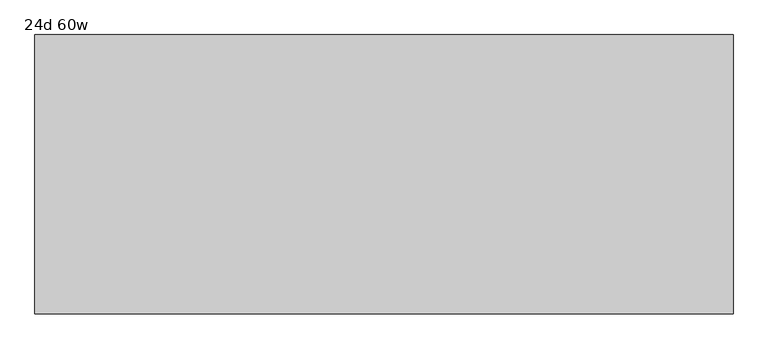
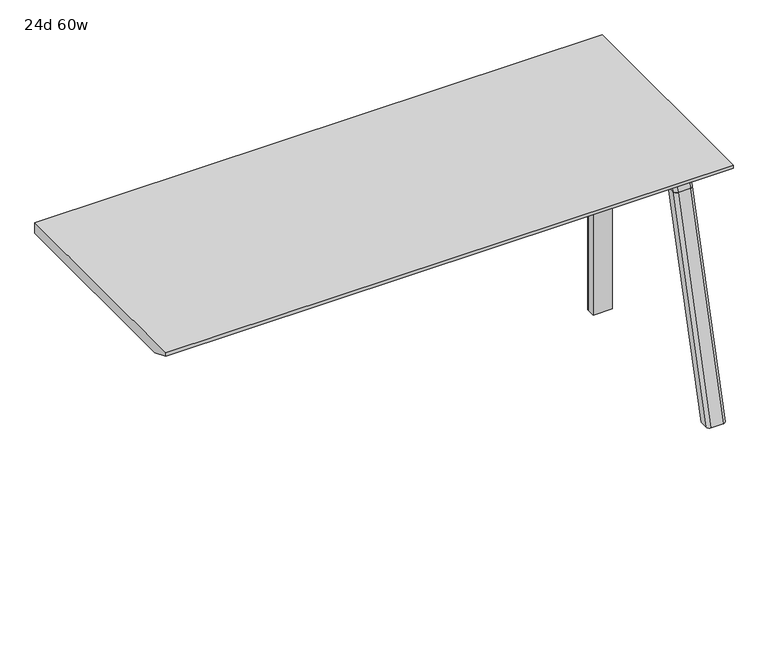
"""IFC4 building model written with IfcOpenShell, lengths in millimetres: furniture geometry, 24d 60w."""

import ifcopenshell
import ifcopenshell.guid

model = None  # the IFC model being written
_history = None  # IfcOwnerHistory: only IFC2X3 demands one
_inside = {}  # id of a spatial element -> (the spatial element, [elements in it])
_under = {}  # id of a project, library or spatial element -> (it, [spatial elements below it])
_declared = {}  # id of a project -> (the project, [libraries it declares])
_typed = {}  # id of a type object -> (the type object, [elements of that type])
_made_of = {}  # id of a material, layer set ... -> (it, [elements and type objects made of it])


def new_model(schema):
    """Start an empty IFC model of exactly this schema.

    Asked for "IFC4X3", IfcOpenShell would pick the latest addendum, in which some entities
    have other attributes; the version numbers below select the first issue.
    IFC2X3 requires an IfcOwnerHistory on every rooted entity: one is made here for all.
    """
    global model, _history
    if schema == "IFC4X3":
        model = ifcopenshell.file(schema_version=(4, 3, 0, 0))
    else:
        model = ifcopenshell.file(schema=schema)
    _inside.clear()
    _under.clear()
    _declared.clear()
    _typed.clear()
    _made_of.clear()
    _history = None
    if model.schema == "IFC2X3":
        org = make("IfcOrganization", Name="unknown")
        user = make(
            "IfcPersonAndOrganization",
            ThePerson=make("IfcPerson", FamilyName="unknown"),
            TheOrganization=org,
        )
        app = make(
            "IfcApplication",
            ApplicationDeveloper=org,
            Version="unknown",
            ApplicationFullName="unknown",
            ApplicationIdentifier="unknown",
        )
        _history = make(
            "IfcOwnerHistory",
            OwningUser=user,
            OwningApplication=app,
            ChangeAction="ADDED",
            CreationDate=0,
        )
    return model


def make(cls, **values):
    """One entity of the class cls with the attributes given. An attribute that is None is left unset."""
    return model.create_entity(
        cls, **{name: value for name, value in values.items() if value is not None}
    )


def rooted(cls, **values):
    """An entity with a GlobalId (a new one), such as an element, a storey or a relation."""
    return make(cls, GlobalId=ifcopenshell.guid.new(), OwnerHistory=_history, **values)


def si_unit(unit_type, name, prefix=None):
    """IfcSIUnit, for example si_unit("LENGTHUNIT", "METRE", prefix="MILLI")."""
    return make("IfcSIUnit", UnitType=unit_type, Prefix=prefix, Name=name)


def assignment(units):
    """IfcUnitAssignment: the units of a project."""
    return None if units is None else make("IfcUnitAssignment", Units=units)


def point(xyz):
    """IfcCartesianPoint."""
    return None if xyz is None else make("IfcCartesianPoint", Coordinates=xyz)


def direction(xyz):
    """IfcDirection."""
    return None if xyz is None else make("IfcDirection", DirectionRatios=xyz)


def frame(location, z_axis=None, x_axis=None):
    """IfcAxis2Placement3D, a coordinate frame: its origin and axes. An axis left out is left unset."""
    return make(
        "IfcAxis2Placement3D",
        Location=point(location),
        Axis=direction(z_axis),
        RefDirection=direction(x_axis),
    )


def frame_2d(location, x_axis=None):
    """IfcAxis2Placement2D, a coordinate frame in the plane: its origin and x axis."""
    return make(
        "IfcAxis2Placement2D", Location=point(location), RefDirection=direction(x_axis)
    )


def origin():
    """The frame at (0, 0, 0) with its axes left unset."""
    return frame((0.0, 0.0, 0.0))


def place(relative_to, where):
    """IfcLocalPlacement: puts the frame where relative to a parent placement (None: the world)."""
    return make(
        "IfcLocalPlacement", PlacementRelTo=relative_to, RelativePlacement=where
    )


def context(
    kind, dimensions, precision=None, world=None, true_north=None, identifier=None
):
    """IfcGeometricRepresentationContext, for example the 3D "Model" context."""
    return make(
        "IfcGeometricRepresentationContext",
        ContextIdentifier=identifier,
        ContextType=kind,
        CoordinateSpaceDimension=dimensions,
        Precision=precision,
        WorldCoordinateSystem=world,
        TrueNorth=true_north,
    )


def project(units=None, contexts=None):
    """IfcProject with its units and contexts."""
    return rooted(
        "IfcProject",
        Name="project",
        RepresentationContexts=contexts,
        UnitsInContext=assignment(units),
    )


def spatial(cls, under=None, at=None, **own):
    """A site, building, storey or space (cls), placed at a placement, below another one or the project."""
    s = rooted(cls, ObjectPlacement=at, **own)
    if under is not None:
        _under.setdefault(under.id(), (under, []))[1].append(s)
    return s


def polyline(points):
    """IfcPolyline through the points."""
    return make("IfcPolyline", Points=[point(p) for p in points])


def circle_curve(where, radius):
    """IfcCircle in the frame where."""
    return make("IfcCircle", Position=where, Radius=radius)


def ellipse_curve(where, semi_axis1, semi_axis2):
    """IfcEllipse in the frame where."""
    return make(
        "IfcEllipse", Position=where, SemiAxis1=semi_axis1, SemiAxis2=semi_axis2
    )


def trimmed(basis, trim1, trim2, sense, master):
    """IfcTrimmedCurve: the piece of a basis curve between two trims."""
    return make(
        "IfcTrimmedCurve",
        BasisCurve=basis,
        Trim1=trim1,
        Trim2=trim2,
        SenseAgreement=sense,
        MasterRepresentation=master,
    )


def segment(curve, same_sense, transition):
    """IfcCompositeCurveSegment."""
    return make(
        "IfcCompositeCurveSegment",
        Transition=transition,
        SameSense=same_sense,
        ParentCurve=curve,
    )


def composite_curve(segments, self_intersect=None):
    """IfcCompositeCurve: segments joined end to end."""
    return make("IfcCompositeCurve", Segments=segments, SelfIntersect=self_intersect)


def outline(outer, holes=None, kind="AREA"):
    """IfcArbitraryClosedProfileDef: a profile drawn as a closed curve; with holes, ...WithVoids."""
    if holes is None:
        return make("IfcArbitraryClosedProfileDef", ProfileType=kind, OuterCurve=outer)
    return make(
        "IfcArbitraryProfileDefWithVoids",
        ProfileType=kind,
        OuterCurve=outer,
        InnerCurves=holes,
    )


def extrude(swept, where, along, depth):
    """IfcExtrudedAreaSolid: the profile swept, set in the frame where, extruded along a direction by depth."""
    return make(
        "IfcExtrudedAreaSolid",
        SweptArea=swept,
        Position=where,
        ExtrudedDirection=direction(along),
        Depth=depth,
    )


def shape(context_of_items, identifier, shape_type, items):
    """IfcShapeRepresentation: the items that make up one representation, for example the "Body"."""
    return make(
        "IfcShapeRepresentation",
        ContextOfItems=context_of_items,
        RepresentationIdentifier=identifier,
        RepresentationType=shape_type,
        Items=items,
    )


def source(mapping_origin, context_of_items, identifier, shape_type, items):
    """IfcRepresentationMap: a shape defined once, which mapped items show again and again."""
    return make(
        "IfcRepresentationMap",
        MappingOrigin=mapping_origin,
        MappedRepresentation=shape(context_of_items, identifier, shape_type, items),
    )


def transform(
    local_origin,
    x_axis=None,
    y_axis=None,
    z_axis=None,
    scale=None,
    scale2=None,
    scale3=None,
    uniform=True,
):
    """IfcCartesianTransformationOperator3D, or its non-uniform kind. x_axis, y_axis, z_axis: its Axis1, 2, 3."""
    if uniform:
        return make(
            "IfcCartesianTransformationOperator3D",
            Axis1=direction(x_axis),
            Axis2=direction(y_axis),
            LocalOrigin=point(local_origin),
            Scale=scale,
            Axis3=direction(z_axis),
        )
    return make(
        "IfcCartesianTransformationOperator3DnonUniform",
        Axis1=direction(x_axis),
        Axis2=direction(y_axis),
        LocalOrigin=point(local_origin),
        Scale=scale,
        Axis3=direction(z_axis),
        Scale2=scale2,
        Scale3=scale3,
    )


def mapped(mapping_source, mapping_target):
    """IfcMappedItem: shows the shape of a source again, moved by a transform."""
    return make(
        "IfcMappedItem", MappingSource=mapping_source, MappingTarget=mapping_target
    )


def made_of(thing, what):
    """Note that an element or type object is made of a material, layer set ...; save() writes the relation."""
    if what is not None:
        _made_of.setdefault(what.id(), (what, []))[1].append(thing)
    return thing


def element(
    cls,
    number,
    at=None,
    inside=None,
    cuts=None,
    type_object=None,
    material=None,
    context=None,
    identifier="Body",
    shape_type=None,
    held_by="IfcProductDefinitionShape",
    body=None,
    shapes=None,
    **own,
):
    """One element of the class cls, such as IfcWall. Its Tag is "e" and its number.

    at: its placement. inside: the storey or other place that contains it. cuts: it is an
    opening in that element (IfcRelVoidsElement). A single representation is given by context,
    identifier, shape_type and body (its items); several are given by shapes. held_by: the class
    of the entity that holds the representations. save() writes the other relations.
    """
    e = rooted(cls, Tag="e%d" % number, ObjectPlacement=at, **own)
    if body is not None:
        shapes = [shape(context, identifier, shape_type, body)]
    if shapes is not None:
        e.Representation = make(held_by, Representations=shapes)
    if inside is not None:
        _inside.setdefault(inside.id(), (inside, []))[1].append(e)
    if cuts is not None:
        rooted(
            "IfcRelVoidsElement", RelatingBuildingElement=cuts, RelatedOpeningElement=e
        )
    if type_object is not None:
        _typed.setdefault(type_object.id(), (type_object, []))[1].append(e)
    return made_of(e, material)


def aggregate(whole, parts):
    """IfcRelAggregates: a whole, such as a stair, and the parts it consists of."""
    return rooted("IfcRelAggregates", RelatingObject=whole, RelatedObjects=parts)


def save(model, path):
    """Write the relations noted so far, then the file.

    IfcRelAggregates (storeys below a building ...), IfcRelContainedInSpatialStructure (elements
    in a storey), IfcRelDefinesByType, IfcRelAssociatesMaterial and IfcRelDeclares: one each for
    every whole, place, type object, material and project.
    """
    for whole, parts in _under.values():
        aggregate(whole, parts)
    for where, things in _inside.values():
        rooted(
            "IfcRelContainedInSpatialStructure",
            RelatedElements=things,
            RelatingStructure=where,
        )
    for kind, things in _typed.values():
        rooted("IfcRelDefinesByType", RelatedObjects=things, RelatingType=kind)
    for what, things in _made_of.values():
        rooted("IfcRelAssociatesMaterial", RelatedObjects=things, RelatingMaterial=what)
    for by, libraries in _declared.values():
        rooted("IfcRelDeclares", RelatingContext=by, RelatedDefinitions=libraries)
    model.write(path)


def plane_surface(at):
    """IfcPlane: the flat surface through the origin of the frame at, square to its z axis."""
    return make("IfcPlane", Position=at)


def cylinder_surface(at, radius):
    """IfcCylindricalSurface: all points at the distance radius from the z axis of the frame at."""
    return make("IfcCylindricalSurface", Position=at, Radius=radius)


def revolved_surface(curve, axis_point, axis_direction):
    """IfcSurfaceOfRevolution: the curve turned about the line through axis_point along axis_direction."""
    return make(
        "IfcSurfaceOfRevolution",
        SweptCurve=make("IfcArbitraryOpenProfileDef", ProfileType="CURVE", Curve=curve),
        AxisPosition=make("IfcAxis1Placement", Location=point(axis_point), Axis=direction(axis_direction)),
    )


def advanced_brep(points, edges, surfaces, faces):
    """IfcAdvancedBrep: a solid bounded by faces that lie on surfaces and meet in shared edges.

    An edge is (start, end): straight between two places in points (the first is 0);
    or (start, end, curve); or (start, end, curve, False) where it runs against its curve.
    A face is (place in surfaces, loops), or (place, loops, False) where it looks against
    its surface's normal. A loop lists edges by number (the first is 1), with a minus sign
    where the edge is run from its end to its start. The first loop is the outer one.
    """
    corners = [point(p) for p in points]
    vertices = [make("IfcVertexPoint", VertexGeometry=c) for c in corners]
    made = []
    for start, end, *more in edges:
        made.append(
            make(
                "IfcEdgeCurve",
                EdgeStart=vertices[start],
                EdgeEnd=vertices[end],
                EdgeGeometry=more[0] if more else make("IfcPolyline", Points=[corners[start], corners[end]]),
                SameSense=more[1] if len(more) > 1 else True,
            )
        )
    hull = []
    for where, loops, *sense in faces:
        bounds = []
        for j, loop in enumerate(loops):
            ring = [make("IfcOrientedEdge", EdgeElement=made[abs(k) - 1], Orientation=k > 0) for k in loop]
            bounds.append(
                make(
                    "IfcFaceOuterBound" if j == 0 else "IfcFaceBound",
                    Bound=make("IfcEdgeLoop", EdgeList=ring),
                    Orientation=True,
                )
            )
        hull.append(make("IfcAdvancedFace", Bounds=bounds, FaceSurface=surfaces[where], SameSense=sense[0] if sense else True))
    return make("IfcAdvancedBrep", Outer=make("IfcClosedShell", CfsFaces=hull))


def furniture_24d_60w_ed17716b(model_context):
    return source(origin(), model_context, "Body", "SolidModel", [
        extrude(outline(composite_curve([segment(polyline([(-258.4909766, 711.2), (-267.5490774, 677.3947076)]), True, "CONTINUOUS"), segment(trimmed(circle_curve(frame_2d((-282.8831499, 681.5034599)), 15.875), [point((-267.5490774, 677.3947076))], [point((-282.8831499, 665.6284599))], False, "CARTESIAN"), True, "CONTINUOUS"), segment(polyline([(-282.8831499, 665.6284599), (-553.1863033, 665.6284599)]), True, "CONTINUOUS"), segment(trimmed(circle_curve(frame_2d((-553.1863033, 681.5034599)), 15.875), [point((-553.1863033, 665.6284599))], [point((-568.5203758, 677.3947076))], False, "CARTESIAN"), True, "CONTINUOUS"), segment(polyline([(-568.5203758, 677.3947076), (-577.5784766, 711.2), (-258.4909766, 711.2)]), True, "CONTINUOUS")], self_intersect=False)), frame((927.1, 0.0, 0.0), z_axis=(1.0, 0.0, 0.0), x_axis=(0.0, 1.0, 0.0)), (0.0, 0.0, 1.0), 38.1),
        extrude(outline(polyline([(971.55, -318.8159766), (971.55, -517.2534766), (920.75, -517.2534766), (920.75, -318.8159766), (971.55, -318.8159766)])), frame((0.0, 0.0, 635.6476591), z_axis=(0.0, 0.0, 1.0), x_axis=(1.0, 0.0, 0.0)), (0.0, 0.0, 1.0), 29.9808008),
        advanced_brep(
        [(971.55, -258.4446478, 711.2), (971.55, -267.5027486, 677.3947076), (971.55, -282.8368211, 665.6284599), (971.55, -318.8159766, 665.6284599), (971.55, -318.8159766, 635.6476591), (971.55, -307.7034766, 635.6476591), (971.55, -256.9034766, 584.8476591), (971.55, -256.9034766, 576.659375), (971.55, -234.6784766, 576.659375), (971.55, -234.6784766, 711.2), (920.75, -256.9034766, 576.659375), (920.75, -256.9034766, 584.8476591), (920.75, -307.7034766, 635.6476591), (920.75, -318.8159766, 635.6476591), (920.75, -318.8159766, 665.6284599), (920.75, -282.8368211, 665.6284599), (920.75, -267.5027486, 677.3947076), (920.75, -258.4446478, 711.2), (920.75, -234.6784766, 711.2), (920.75, -234.6784766, 576.659375), (962.025, -225.1534766, 711.2), (930.275, -225.1534766, 711.2), (930.275, -225.1534766, 576.659375), (962.025, -225.1534766, 576.659375)],
        [
            (0, 1),
            (1, 2, circle_curve(frame((971.55, -282.8368211, 681.5034599), z_axis=(-1.0, 0.0, 0.0), x_axis=(0.0, 1.0, 0.0)), 15.875)),
            (2, 3),
            (3, 4),
            (4, 5),
            (5, 6, circle_curve(frame((971.55, -307.7034766, 584.8476591), z_axis=(-1.0, 0.0, 0.0), x_axis=(0.0, 1.0, 0.0)), 50.8)),
            (6, 7),
            (7, 8),
            (8, 9),
            (9, 0),
            (10, 11),
            (11, 12, circle_curve(frame((920.75, -307.7034766, 584.8476591), z_axis=(1.0, 0.0, 0.0), x_axis=(0.0, 1.0, 0.0)), 50.8)),
            (12, 13),
            (13, 14),
            (14, 15),
            (15, 16, circle_curve(frame((920.75, -282.8368211, 681.5034599), z_axis=(1.0, 0.0, 0.0), x_axis=(0.0, 1.0, 0.0)), 15.875)),
            (16, 17),
            (17, 18),
            (18, 19),
            (19, 10),
            (17, 0),
            (9, 20, circle_curve(frame((962.025, -234.6784766, 711.2), z_axis=(0.0, 0.0, 1.0), x_axis=(-1.0, 0.0, 0.0)), 9.525)),
            (20, 21),
            (21, 18, circle_curve(frame((930.275, -234.6784766, 711.2), z_axis=(0.0, 0.0, 1.0), x_axis=(-1.0, 0.0, 0.0)), 9.525)),
            (16, 1),
            (15, 2),
            (14, 3),
            (13, 4),
            (12, 5),
            (7, 10),
            (19, 22, circle_curve(frame((930.275, -234.6784766, 576.659375), z_axis=(0.0, 0.0, -1.0), x_axis=(-1.0, 0.0, 0.0)), 9.525)),
            (22, 23),
            (23, 8, circle_curve(frame((962.025, -234.6784766, 576.659375), z_axis=(0.0, 0.0, -1.0), x_axis=(-1.0, 0.0, 0.0)), 9.525)),
            (11, 6),
            (23, 20),
            (21, 22),
        ],
        [
            plane_surface(frame((971.55, -218.226947, 711.2), z_axis=(1.0, 0.0, 0.0), x_axis=(0.0, -1.0, 0.0))),
            plane_surface(frame((920.75, -218.226947, 711.2), z_axis=(-1.0, 0.0, 0.0), x_axis=(0.0, 1.0, 0.0))),
            plane_surface(frame((971.55, -218.226947, 711.2), z_axis=(0.0, 0.0, 1.0), x_axis=(-1.0, 0.0, 0.0))),
            plane_surface(frame((971.55, -258.4446478, 711.2), z_axis=(0.0, -0.9659258262890683, 0.2588190451025207), x_axis=(-1.0, 0.0, 0.0))),
            revolved_surface(polyline([(920.75, -266.9618211, 681.5034599), (971.55, -266.9618211, 681.5034599)]), (920.75, -282.8368211, 681.5034599), (-1.0, 0.0, 0.0)),
            plane_surface(frame((971.55, -282.8368211, 665.6284599), z_axis=(0.0, 0.0, 1.0), x_axis=(-1.0, 0.0, 0.0))),
            plane_surface(frame((971.55, -318.8159766, 665.6284599), z_axis=(0.0, -1.0, 0.0), x_axis=(-1.0, 0.0, 0.0))),
            plane_surface(frame((971.55, -318.8159766, 635.6476591), z_axis=(0.0, 0.0, -1.0), x_axis=(-1.0, 0.0, 0.0))),
            plane_surface(frame((971.55, -256.9034766, 576.659375), z_axis=(0.0, 0.0, -1.0), x_axis=(-1.0, 0.0, 0.0))),
            revolved_surface(polyline([(920.75, -256.9034766, 584.8476591), (971.55, -256.9034766, 584.8476591)]), (920.75, -307.7034766, 584.8476591), (-1.0, 0.0, 0.0)),
            plane_surface(frame((971.55, -256.9034766, 584.8476591), z_axis=(0.0, -1.0, 0.0), x_axis=(-1.0, 0.0, 0.0))),
            cylinder_surface(frame((962.025, -234.6784766, 524.9807374), z_axis=(0.0, 0.0, -1.0), x_axis=(-1.0, 0.0, 0.0)), 9.525),
            cylinder_surface(frame((930.275, -234.6784766, 524.9807374), z_axis=(0.0, 0.0, -1.0), x_axis=(-1.0, 0.0, 0.0)), 9.525),
            plane_surface(frame((930.275, -225.1534766, 711.2), z_axis=(0.0, 1.0, 0.0), x_axis=(0.0, 0.0, -1.0))),
        ],
        [
            (0, [[1, 2, 3, 4, 5, 6, 7, 8, 9, 10]]),
            (1, [[11, 12, 13, 14, 15, 16, 17, 18, 19, 20]]),
            (2, [[21, -10, 22, 23, 24, -18]]),
            (3, [[-1, -21, -17, 25]]),
            (4, [[-2, -25, -16, 26]]),
            (5, [[-3, -26, -15, 27]]),
            (6, [[-4, -27, -14, 28]]),
            (7, [[-5, -28, -13, 29]]),
            (8, [[30, -20, 31, 32, 33, -8]]),
            (9, [[-6, -29, -12, 34]]),
            (10, [[-7, -34, -11, -30]]),
            (11, [[35, -22, -9, -33]]),
            (12, [[36, -31, -19, -24]]),
            (13, [[-35, -32, -36, -23]]),
        ],
    ),
        advanced_brep(
        [(920.75, -256.9034766, 576.659375), (971.55, -256.9034766, 576.659375), (971.55, -234.6784766, 576.659375), (962.025, -225.1534766, 576.659375), (930.275, -225.1534766, 576.659375), (920.75, -234.6784766, 576.659375), (920.75, -256.9034766, 0.0), (920.75, -234.6784766, 0.0), (930.275, -225.1534766, 0.0), (962.025, -225.1534766, 0.0), (971.55, -234.6784766, 0.0), (971.55, -256.9034766, 0.0), (971.55, -234.6784766, 524.9807374), (962.025, -225.1534766, 524.9807374), (930.275, -225.1534766, 524.9807374), (920.75, -234.6784766, 524.9807374)],
        [
            (0, 1),
            (1, 2),
            (2, 3, circle_curve(frame((962.025, -234.6784766, 576.659375), z_axis=(0.0, 0.0, 1.0), x_axis=(-1.0, 0.0, 0.0)), 9.525)),
            (3, 4),
            (4, 5, circle_curve(frame((930.275, -234.6784766, 576.659375), z_axis=(0.0, 0.0, 1.0), x_axis=(-1.0, 0.0, 0.0)), 9.525)),
            (5, 0),
            (6, 7),
            (7, 8, circle_curve(frame((930.275, -234.6784766, 0.0), z_axis=(0.0, 0.0, -1.0), x_axis=(-1.0, 0.0, 0.0)), 9.525)),
            (8, 9),
            (9, 10, circle_curve(frame((962.025, -234.6784766, 0.0), z_axis=(0.0, 0.0, -1.0), x_axis=(-1.0, 0.0, 0.0)), 9.525)),
            (10, 11),
            (11, 6),
            (0, 6),
            (11, 1),
            (10, 12),
            (12, 2),
            (9, 13),
            (13, 3),
            (8, 14),
            (14, 4),
            (7, 15),
            (15, 5),
        ],
        [
            plane_surface(frame((978.7462903, -256.9034766, 576.659375), z_axis=(0.0, 0.0, 1.0), x_axis=(1.0, 0.0, 0.0))),
            plane_surface(frame((978.7462903, -256.9034766, 0.0), z_axis=(0.0, 0.0, -1.0), x_axis=(-1.0, 0.0, 0.0))),
            plane_surface(frame((920.75, -256.9034766, 576.659375), z_axis=(0.0, -1.0, 0.0), x_axis=(0.0, 0.0, -1.0))),
            plane_surface(frame((971.55, -256.9034766, 576.659375), z_axis=(1.0, 0.0, 0.0), x_axis=(0.0, 0.0, -1.0))),
            cylinder_surface(frame((962.025, -234.6784766, 0.0), z_axis=(0.0, 0.0, 1.0), x_axis=(-1.0, 0.0, 0.0)), 9.525),
            plane_surface(frame((962.025, -225.1534766, 576.659375), z_axis=(0.0, 1.0, 0.0), x_axis=(0.0, 0.0, -1.0))),
            cylinder_surface(frame((930.275, -234.6784766, 0.0), z_axis=(0.0, 0.0, 1.0), x_axis=(-1.0, 0.0, 0.0)), 9.525),
            plane_surface(frame((920.75, -234.6784766, 576.659375), z_axis=(-1.0, 0.0, 0.0), x_axis=(0.0, 0.0, -1.0))),
        ],
        [
            (0, [[1, 2, 3, 4, 5, 6]]),
            (1, [[7, 8, 9, 10, 11, 12]]),
            (2, [[-1, 13, -12, 14]]),
            (3, [[-2, -14, -11, 15, 16]]),
            (4, [[-3, -16, -15, -10, 17, 18]]),
            (5, [[-4, -18, -17, -9, 19, 20]]),
            (6, [[-5, -20, -19, -8, 21, 22]]),
            (7, [[-6, -22, -21, -7, -13]]),
        ],
    ),
        advanced_brep(
        [(920.75, -571.2748053, 711.2), (920.75, -562.2167045, 677.3947076), (920.75, -546.882632, 665.6284599), (920.75, -517.2534766, 665.6284599), (920.75, -517.2534766, 635.6476591), (920.75, -540.1247088, 635.6476591), (920.75, -604.5278133, 586.2294189), (920.75, -607.0860254, 576.6820411), (920.75, -628.1899953, 576.6820411), (920.75, -592.7413517, 711.2), (971.55, -607.0860254, 576.6820411), (971.55, -604.5278133, 586.2294189), (971.55, -540.1247088, 635.6476591), (971.55, -517.2534766, 635.6476591), (971.55, -517.2534766, 665.6284599), (971.55, -546.882632, 665.6284599), (971.55, -562.2167045, 677.3947076), (971.55, -571.2748053, 711.2), (971.55, -592.7413517, 711.2), (971.55, -628.1899953, 576.6820411), (927.0138162, -601.9961962, 711.2), (965.2861838, -601.9961962, 711.2), (962.025, -638.0401747, 576.6820411), (930.275, -638.0401747, 576.6820411)],
        [
            (0, 1),
            (1, 2, circle_curve(frame((920.75, -546.882632, 681.5034599), z_axis=(1.0, 0.0, 0.0), x_axis=(0.0, -1.0, 0.0)), 15.875)),
            (2, 3),
            (3, 4),
            (4, 5),
            (5, 6, circle_curve(frame((920.75, -540.1247088, 568.9726591), z_axis=(1.0, 0.0, 0.0), x_axis=(0.0, -1.0, 0.0)), 66.675)),
            (6, 7),
            (7, 8),
            (8, 9),
            (9, 0),
            (10, 11),
            (11, 12, circle_curve(frame((971.55, -540.1247088, 568.9726591), z_axis=(-1.0, 0.0, 0.0), x_axis=(0.0, -1.0, 0.0)), 66.675)),
            (12, 13),
            (13, 14),
            (14, 15),
            (15, 16, circle_curve(frame((971.55, -546.882632, 681.5034599), z_axis=(-1.0, 0.0, 0.0), x_axis=(0.0, -1.0, 0.0)), 15.875)),
            (16, 17),
            (17, 18),
            (18, 19),
            (19, 10),
            (17, 0),
            (9, 20, ellipse_curve(frame((930.275, -592.7413517, 711.2), z_axis=(0.0, 0.0, 1.0), x_axis=(0.0, -1.0, 0.0)), 9.8501793, 9.525)),
            (20, 21),
            (21, 18, ellipse_curve(frame((962.025, -592.7413517, 711.2), z_axis=(0.0, 0.0, 1.0), x_axis=(0.0, -1.0, 0.0)), 9.8501793, 9.525)),
            (16, 1),
            (15, 2),
            (14, 3),
            (13, 4),
            (12, 5),
            (11, 6),
            (10, 7),
            (19, 22, ellipse_curve(frame((962.025, -628.1899953, 576.6820411), z_axis=(0.0, 0.0, -1.0), x_axis=(0.0, -1.0, 0.0)), 9.8501793, 9.525)),
            (22, 23),
            (23, 8, ellipse_curve(frame((930.275, -628.1899953, 576.6820411), z_axis=(0.0, 0.0, -1.0), x_axis=(0.0, -1.0, 0.0)), 9.8501793, 9.525)),
            (20, 23, ellipse_curve(frame((930.275, -41.6704606, 2802.3641142), z_axis=(0.0, -0.9659258262890684, 0.2588190451025206), x_axis=(0.0, -0.2588190451025206, -0.9659258262890684)), 2304.1956354, 9.525)),
            (22, 21, ellipse_curve(frame((962.025, -41.6704606, 2802.3641142), z_axis=(0.0, -0.9659258262890684, 0.2588190451025206), x_axis=(0.0, -0.2588190451025206, -0.9659258262890684)), 2304.1956354, 9.525)),
        ],
        [
            plane_surface(frame((920.75, -601.9961962, 711.2), z_axis=(-1.0, 0.0, 0.0), x_axis=(0.0, 1.0, 0.0))),
            plane_surface(frame((971.55, -601.9961962, 711.2), z_axis=(1.0, 0.0, 0.0), x_axis=(0.0, -1.0, 0.0))),
            plane_surface(frame((920.75, -601.9961962, 711.2), z_axis=(0.0, 0.0, 1.0), x_axis=(1.0, 0.0, 0.0))),
            plane_surface(frame((920.75, -571.2748053, 711.2), z_axis=(0.0, 0.9659258262890683, 0.2588190451025207), x_axis=(1.0, 0.0, 0.0))),
            revolved_surface(polyline([(971.55, -562.757632, 681.5034599), (920.75, -562.757632, 681.5034599)]), (971.55, -546.882632, 681.5034599), (1.0, 0.0, 0.0)),
            plane_surface(frame((920.75, -546.882632, 665.6284599), z_axis=(0.0, 0.0, 1.0), x_axis=(1.0, 0.0, 0.0))),
            plane_surface(frame((920.75, -517.2534766, 665.6284599), z_axis=(0.0, 1.0, 0.0), x_axis=(1.0, 0.0, 0.0))),
            plane_surface(frame((920.75, -517.2534766, 635.6476591), z_axis=(0.0, 0.0, -1.0), x_axis=(1.0, 0.0, 0.0))),
            revolved_surface(polyline([(971.55, -606.7997088, 568.9726591), (920.75, -606.7997088, 568.9726591)]), (971.55, -540.1247088, 568.9726591), (1.0, 0.0, 0.0)),
            plane_surface(frame((920.75, -604.5278133, 586.2294189), z_axis=(0.0, 0.9659258262890693, -0.25881904510251696), x_axis=(1.0, 0.0, 0.0))),
            plane_surface(frame((920.75, -607.0860254, 576.6820411), z_axis=(0.0, 0.0, -1.0), x_axis=(1.0, 0.0, 0.0))),
            plane_surface(frame((920.75, -638.0401747, 576.6820411), z_axis=(0.0, -0.9659258262890684, 0.2588190451025206), x_axis=(1.0, 0.0, 0.0))),
            cylinder_surface(frame((930.275, -780.7988902, -2.4271979), z_axis=(0.0, -0.25482392474081483, -0.966987470125486), x_axis=(1.0, 0.0, 0.0)), 9.525),
            cylinder_surface(frame((962.025, -780.7988902, -2.4271979), z_axis=(0.0, -0.25482392474081483, -0.966987470125486), x_axis=(1.0, 0.0, 0.0)), 9.525),
        ],
        [
            (0, [[1, 2, 3, 4, 5, 6, 7, 8, 9, 10]]),
            (1, [[11, 12, 13, 14, 15, 16, 17, 18, 19, 20]]),
            (2, [[21, -10, 22, 23, 24, -18]]),
            (3, [[-1, -21, -17, 25]]),
            (4, [[-2, -25, -16, 26]]),
            (5, [[-3, -26, -15, 27]]),
            (6, [[-4, -27, -14, 28]]),
            (7, [[-5, -28, -13, 29]]),
            (8, [[-6, -29, -12, 30]]),
            (9, [[-7, -30, -11, 31]]),
            (10, [[-31, -20, 32, 33, 34, -8]]),
            (11, [[-23, 35, -33, 36]]),
            (12, [[-9, -34, -35, -22]]),
            (13, [[-19, -24, -36, -32]]),
        ],
    ),
        advanced_brep(
        [(920.75, -607.0860254, 576.6820411), (920.75, -759.0552966, 0.0), (920.75, -780.1592665, 0.0), (920.75, -628.1899953, 576.6820411), (971.55, -759.0552966, 0.0), (971.55, -607.0860254, 576.6820411), (971.55, -628.1899953, 576.6820411), (971.55, -780.1592665, 0.0), (930.275, -638.0401747, 576.6820411), (962.025, -638.0401747, 576.6820411), (962.025, -790.0094458, 0.0), (930.275, -790.0094458, 0.0)],
        [
            (0, 1),
            (1, 2),
            (2, 3),
            (3, 0),
            (4, 5),
            (5, 6),
            (6, 7),
            (7, 4),
            (5, 0),
            (3, 8, ellipse_curve(frame((930.275, -628.1899953, 576.6820411), z_axis=(0.0, 0.0, 1.0), x_axis=(0.0, -1.0, 0.0)), 9.8501793, 9.525)),
            (8, 9),
            (9, 6, ellipse_curve(frame((962.025, -628.1899953, 576.6820411), z_axis=(0.0, 0.0, 1.0), x_axis=(0.0, -1.0, 0.0)), 9.8501793, 9.525)),
            (4, 1),
            (7, 10, ellipse_curve(frame((962.025, -780.1592665, 0.0), z_axis=(0.0, 0.0, -1.0), x_axis=(0.0, -1.0, 0.0)), 9.8501793, 9.525)),
            (10, 11),
            (11, 2, ellipse_curve(frame((930.275, -780.1592665, 0.0), z_axis=(0.0, 0.0, -1.0), x_axis=(0.0, -1.0, 0.0)), 9.8501793, 9.525)),
            (8, 11),
            (10, 9),
        ],
        [
            plane_surface(frame((920.75, -638.0401747, 576.6820411), z_axis=(-1.0, 0.0, 0.0), x_axis=(0.0, 1.0, 0.0))),
            plane_surface(frame((971.55, -638.0401747, 576.6820411), z_axis=(1.0, 0.0, 0.0), x_axis=(0.0, -1.0, 0.0))),
            plane_surface(frame((920.75, -638.0401747, 576.6820411), z_axis=(0.0, 0.0, 1.0), x_axis=(1.0, 0.0, 0.0))),
            plane_surface(frame((920.75, -607.0860254, 576.6820411), z_axis=(0.0, 0.9669874701254844, -0.2548239247408208), x_axis=(1.0, 0.0, 0.0))),
            plane_surface(frame((920.75, -759.0552966, 0.0), z_axis=(0.0, 0.0, -1.0), x_axis=(1.0, 0.0, 0.0))),
            plane_surface(frame((920.75, -790.0094458, 0.0), z_axis=(0.0, -0.9669874701254855, 0.2548239247408166), x_axis=(1.0, 0.0, 0.0))),
            cylinder_surface(frame((930.275, -780.7988902, -2.4271979), z_axis=(0.0, -0.25482392474081483, -0.966987470125486), x_axis=(1.0, 0.0, 0.0)), 9.525),
            cylinder_surface(frame((962.025, -780.7988902, -2.4271979), z_axis=(0.0, -0.25482392474081483, -0.966987470125486), x_axis=(1.0, 0.0, 0.0)), 9.525),
        ],
        [
            (0, [[1, 2, 3, 4]]),
            (1, [[5, 6, 7, 8]]),
            (2, [[9, -4, 10, 11, 12, -6]]),
            (3, [[-1, -9, -5, 13]]),
            (4, [[-13, -8, 14, 15, 16, -2]]),
            (5, [[-11, 17, -15, 18]]),
            (6, [[-3, -16, -17, -10]]),
            (7, [[-7, -12, -18, -14]]),
        ],
    ),
        extrude(outline(polyline([(-809.3534766, 741.3625), (-199.7534766, 741.3625), (-199.7534766, 711.2), (-758.5534766, 711.2), (-809.3534766, 731.8375), (-809.3534766, 741.3625)])), frame((-546.1, 0.0, 0.0), z_axis=(1.0, 0.0, 0.0), x_axis=(0.0, 1.0, 0.0)), (0.0, 0.0, 1.0), 1524.0),
    ])


if __name__ == "__main__":
    model = new_model("IFC4")
    model_context = context("Model", 3, world=origin())
    ifc_project = project(units=[si_unit("LENGTHUNIT", "METRE", prefix="MILLI")], contexts=[model_context])
    site = spatial("IfcSite", under=ifc_project)
    building = spatial("IfcBuilding", under=site)
    placement = place(None, origin())
    furniture_24d_60w_shape = furniture_24d_60w_ed17716b(model_context)
    element("IfcFurniture", 1, ObjectType="24d 60w", at=placement, inside=building, context=model_context, shape_type="MappedRepresentation", body=[
        mapped(furniture_24d_60w_shape, transform((0.0, 0.0, 0.0), x_axis=(1.0, 0.0, 0.0), y_axis=(0.0, 1.0, 0.0), z_axis=(0.0, 0.0, 1.0))),
    ])
    save(model, "model.ifc")
